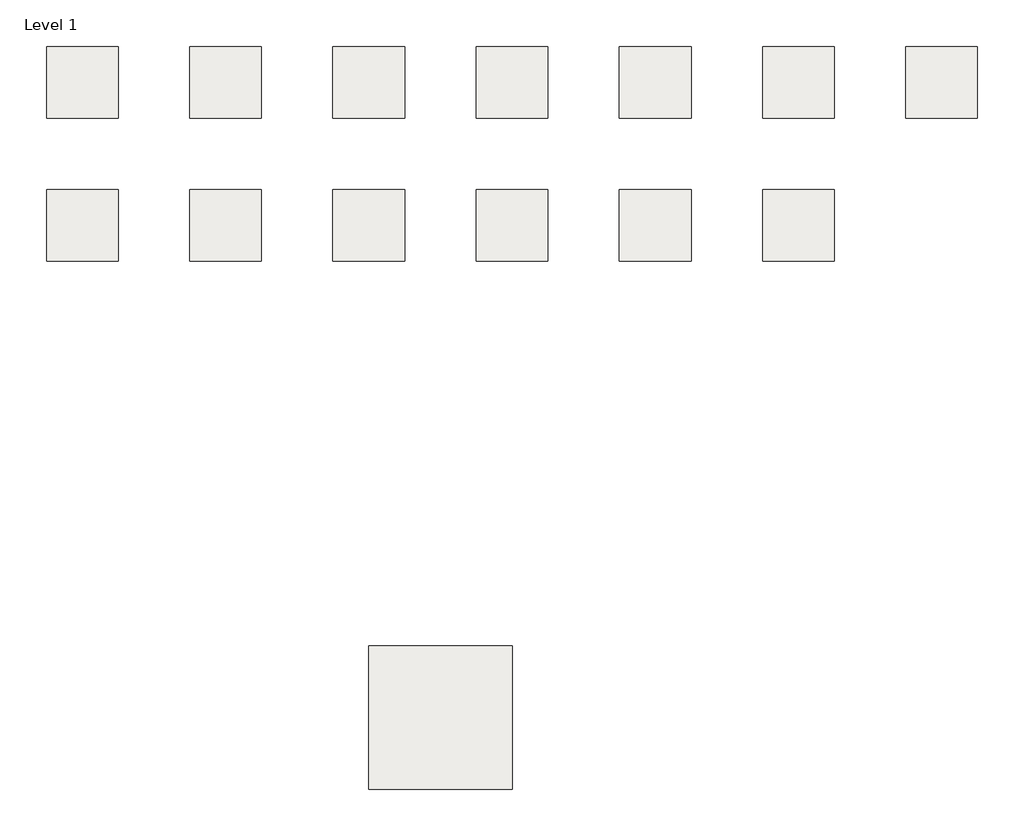
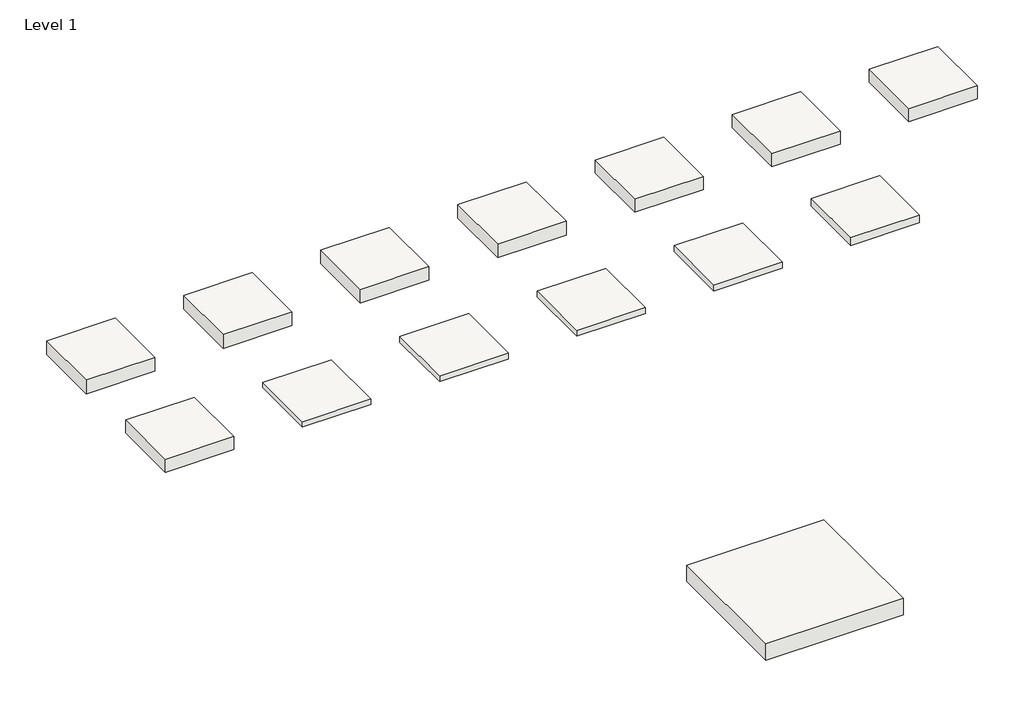
# One storey: 14 roofs.
"""IFC4 building model written with IfcOpenShell, lengths in millimetres."""

from ifc_helpers import new_model, si_unit, origin, origin_with_axes, place, context, project, spatial, polyline, outline, extrude, element, save

model = new_model("IFC4")

# Units and contexts
model_context = context("Model", 3, world=origin())
ifc_project = project(units=[si_unit("LENGTHUNIT", "METRE", prefix="MILLI")], contexts=[model_context])

# Site, building, storey
site = spatial("IfcSite", under=ifc_project)
building = spatial("IfcBuilding", under=site)
storey = spatial("IfcBuildingStorey", under=building, Name="Level 1", Elevation=0.0)

# Roofs
placement = place(None, origin())
element("IfcRoof", 1, at=placement, inside=storey, context=model_context, shape_type="SweptSolid", body=[
    extrude(outline(polyline([(-11567.2476343, 7252.8534382), (-10297.2476343, 7252.8534382), (-10297.2476343, 5982.8534382), (-11567.2476343, 5982.8534382), (-11567.2476343, 7252.8534382)])), origin_with_axes(), (0.0, 0.0, 1.0), 266.7),
])
element("IfcRoof", 2, at=placement, inside=storey, context=model_context, shape_type="SweptSolid", body=[
    extrude(outline(polyline([(-9027.2476343, 7252.8534382), (-7757.2476343, 7252.8534382), (-7757.2476343, 5982.8534382), (-9027.2476343, 5982.8534382), (-9027.2476343, 7252.8534382)])), origin_with_axes(), (0.0, 0.0, 1.0), 266.7),
])
element("IfcRoof", 3, at=placement, inside=storey, context=model_context, shape_type="SweptSolid", body=[
    extrude(outline(polyline([(-6487.2476343, 7252.8534382), (-5217.2476343, 7252.8534382), (-5217.2476343, 5982.8534382), (-6487.2476343, 5982.8534382), (-6487.2476343, 7252.8534382)])), origin_with_axes(), (0.0, 0.0, 1.0), 266.7),
])
element("IfcRoof", 4, at=placement, inside=storey, context=model_context, shape_type="SweptSolid", body=[
    extrude(outline(polyline([(-3947.2476343, 7252.8534382), (-2677.2476343, 7252.8534382), (-2677.2476343, 5982.8534382), (-3947.2476343, 5982.8534382), (-3947.2476343, 7252.8534382)])), origin_with_axes(), (0.0, 0.0, 1.0), 266.7),
])
element("IfcRoof", 5, at=placement, inside=storey, context=model_context, shape_type="SweptSolid", body=[
    extrude(outline(polyline([(-1407.2476343, 7252.8534382), (-137.2476343, 7252.8534382), (-137.2476343, 5982.8534382), (-1407.2476343, 5982.8534382), (-1407.2476343, 7252.8534382)])), origin_with_axes(), (0.0, 0.0, 1.0), 254.0),
])
element("IfcRoof", 6, at=placement, inside=storey, context=model_context, shape_type="SweptSolid", body=[
    extrude(outline(polyline([(3672.7523657, 7252.8534382), (4942.7523657, 7252.8534382), (4942.7523657, 5982.8534382), (3672.7523657, 5982.8534382), (3672.7523657, 7252.8534382)])), origin_with_axes(), (0.0, 0.0, 1.0), 254.0),
])
element("IfcRoof", 7, at=placement, inside=storey, context=model_context, shape_type="SweptSolid", body=[
    extrude(outline(polyline([(1132.7523657, 7252.8534382), (2402.7523657, 7252.8534382), (2402.7523657, 5982.8534382), (1132.7523657, 5982.8534382), (1132.7523657, 7252.8534382)])), origin_with_axes(), (0.0, 0.0, 1.0), 254.0),
])
element("IfcRoof", 8, at=placement, inside=storey, context=model_context, shape_type="SweptSolid", body=[
    extrude(outline(polyline([(-11567.2476343, 4712.8534382), (-10297.2476343, 4712.8534382), (-10297.2476343, 3442.8534382), (-11567.2476343, 3442.8534382), (-11567.2476343, 4712.8534382)])), origin_with_axes(), (0.0, 0.0, 1.0), 254.0),
])
element("IfcRoof", 9, at=placement, inside=storey, context=model_context, shape_type="SweptSolid", body=[
    extrude(outline(polyline([(-9027.2476343, 4712.8534382), (-7757.2476343, 4712.8534382), (-7757.2476343, 3442.8534382), (-9027.2476343, 3442.8534382), (-9027.2476343, 4712.8534382)])), origin_with_axes(), (0.0, 0.0, 1.0), 101.6),
])
element("IfcRoof", 10, at=placement, inside=storey, context=model_context, shape_type="SweptSolid", body=[
    extrude(outline(polyline([(-6487.2476343, 4712.8534382), (-5217.2476343, 4712.8534382), (-5217.2476343, 3442.8534382), (-6487.2476343, 3442.8534382), (-6487.2476343, 4712.8534382)])), origin_with_axes(), (0.0, 0.0, 1.0), 114.3),
])
element("IfcRoof", 11, at=placement, inside=storey, context=model_context, shape_type="SweptSolid", body=[
    extrude(outline(polyline([(-3947.2476343, 4712.8534382), (-2677.2476343, 4712.8534382), (-2677.2476343, 3442.8534382), (-3947.2476343, 3442.8534382), (-3947.2476343, 4712.8534382)])), origin_with_axes(), (0.0, 0.0, 1.0), 114.3),
])
element("IfcRoof", 12, at=placement, inside=storey, context=model_context, shape_type="SweptSolid", body=[
    extrude(outline(polyline([(-1407.2476343, 4712.8534382), (-137.2476343, 4712.8534382), (-137.2476343, 3442.8534382), (-1407.2476343, 3442.8534382), (-1407.2476343, 4712.8534382)])), origin_with_axes(), (0.0, 0.0, 1.0), 114.3),
])
element("IfcRoof", 13, at=placement, inside=storey, context=model_context, shape_type="SweptSolid", body=[
    extrude(outline(polyline([(1132.7523657, 4712.8534382), (2402.7523657, 4712.8534382), (2402.7523657, 3442.8534382), (1132.7523657, 3442.8534382), (1132.7523657, 4712.8534382)])), origin_with_axes(), (0.0, 0.0, 1.0), 152.4),
])
element("IfcRoof", 14, at=placement, inside=storey, context=model_context, shape_type="SweptSolid", body=[
    extrude(outline(polyline([(-5850.2304955, -3385.1972682), (-3310.2304955, -3385.1972682), (-3310.2304955, -5925.1972682), (-5850.2304955, -5925.1972682), (-5850.2304955, -3385.1972682)])), origin_with_axes(), (0.0, 0.0, 1.0), 316.70625),
])

save(model, "model.ifc")
